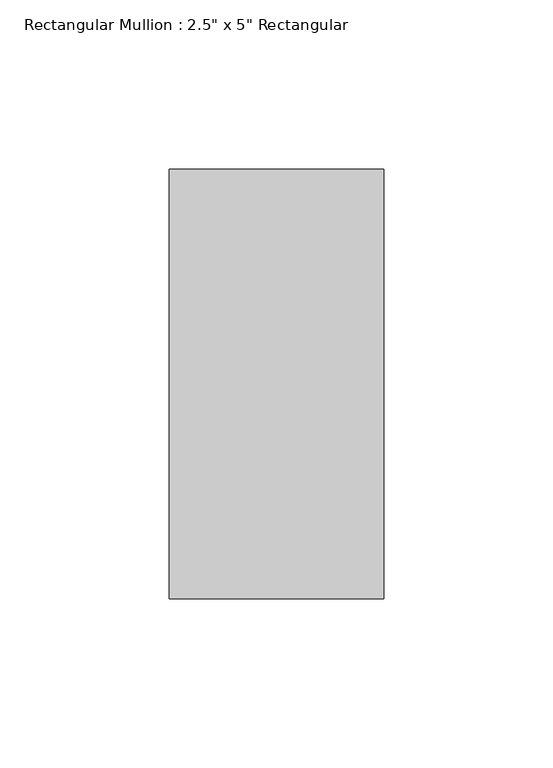
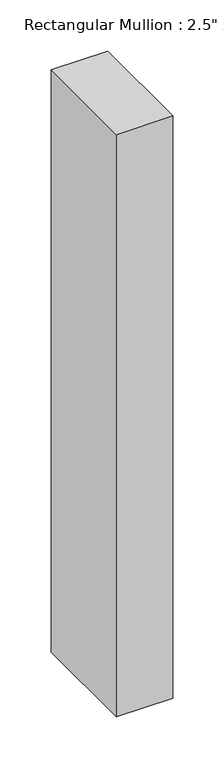
"""IFC4 building model written with IfcOpenShell, lengths in millimetres: member geometry."""

from ifc_helpers import new_model, si_unit, frame, origin, place, context, project, spatial, polyline, outline, extrude, source, transform, mapped, element, save


def member_f3028526(model_context):
    return source(origin(), model_context, "Body", "SweptSolid", [
        extrude(outline(polyline([(31.75, 63.5), (31.75, -63.5), (-31.75, -63.5), (-31.75, 63.5), (31.75, 63.5)])), frame((0.0, 0.0, -693.7375), z_axis=(0.0, 0.0, 1.0), x_axis=(1.0, 0.0, 0.0)), (0.0, 0.0, 1.0), 693.7375),
    ])


if __name__ == "__main__":
    model = new_model("IFC4")
    model_context = context("Model", 3, world=origin())
    ifc_project = project(units=[si_unit("LENGTHUNIT", "METRE", prefix="MILLI")], contexts=[model_context])
    site = spatial("IfcSite", under=ifc_project)
    building = spatial("IfcBuilding", under=site)
    placement = place(None, origin())
    member_shape = member_f3028526(model_context)
    element("IfcMember", 1, ObjectType="Rectangular Mullion : 2.5\" x 5\" Rectangular", at=placement, inside=building, context=model_context, shape_type="MappedRepresentation", body=[
        mapped(member_shape, transform((0.0, 0.0, 0.0), x_axis=(1.0, 0.0, 0.0), y_axis=(0.0, 1.0, 0.0), z_axis=(0.0, 0.0, 1.0))),
    ])
    save(model, "model.ifc")
